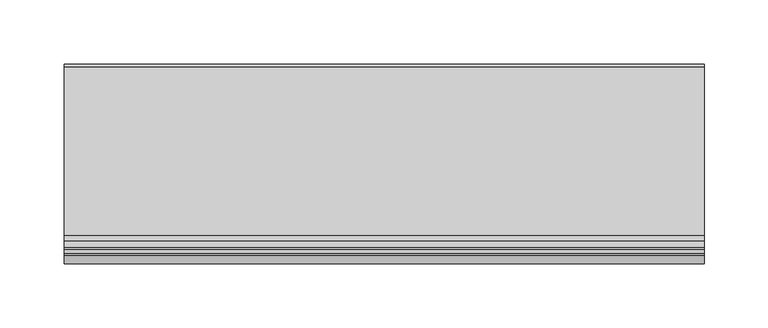
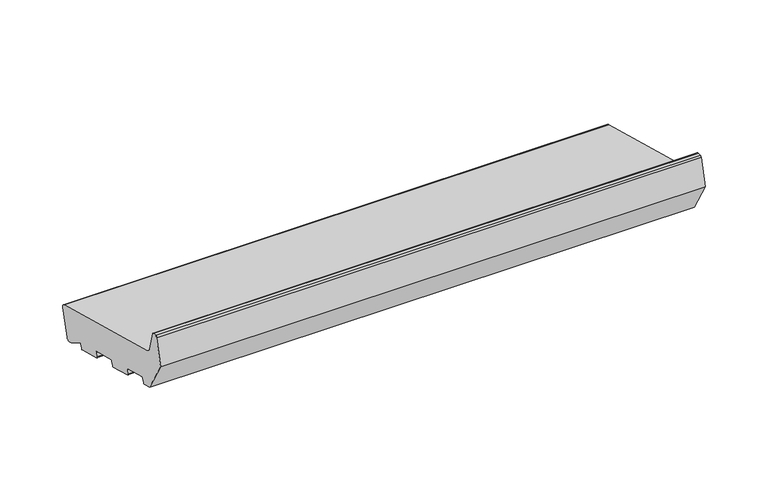
"""IFC4 building model written with IfcOpenShell, lengths in millimetres: proxy geometry."""

from ifc_helpers import new_model, si_unit, point, frame, frame_2d, origin, place, context, project, spatial, polyline, circle_curve, trimmed, segment, composite_curve, outline, extrude, source, transform, mapped, element, save


def generic_models_8d497176(model_context):
    return source(origin(), model_context, "Body", "SweptSolid", [
        extrude(outline(composite_curve([segment(polyline([(24.4386976, 5.4869469), (21.7219201, 6.2149052), (7.5536904, 14.8023515)]), True, "CONTINUOUS"), segment(trimmed(circle_curve(frame_2d((7.0353604, 13.9471708)), 1.0), [point((7.5536904, 14.8023515))], [point((6.0694345, 14.2059898))], True, "CARTESIAN"), True, "CONTINUOUS"), segment(polyline([(6.0694345, 14.2059898), (5.1201811, 10.6633278)]), True, "CONTINUOUS"), segment(trimmed(circle_curve(frame_2d((4.1542553, 10.9221468)), 1.0), [point((5.1201811, 10.6633278))], [point((3.8954362, 9.956221))], False, "CARTESIAN"), True, "CONTINUOUS"), segment(polyline([(3.8954362, 9.956221), (-18.3208578, 15.909059)]), True, "CONTINUOUS"), segment(trimmed(circle_curve(frame_2d((-18.0620387, 16.8749849)), 1.0), [point((-18.3208578, 15.909059))], [point((-19.0279645, 17.1338039))], False, "CARTESIAN"), True, "CONTINUOUS"), segment(polyline([(-19.0279645, 17.1338039), (-17.9926884, 20.9975072)]), True, "CONTINUOUS"), segment(trimmed(circle_curve(frame_2d((-18.9586142, 21.2563263)), 1.0), [point((-17.9926884, 20.9975072))], [point((-18.6997951, 22.2222521))], True, "CARTESIAN"), True, "CONTINUOUS"), segment(polyline([(-18.6997951, 22.2222521), (-41.882015, 28.4339092)]), True, "CONTINUOUS"), segment(trimmed(circle_curve(frame_2d((-42.140834, 27.4679833)), 1.0), [point((-41.882015, 28.4339092))], [point((-43.1067598, 27.7268024))], True, "CARTESIAN"), True, "CONTINUOUS"), segment(polyline([(-43.1067598, 27.7268024), (-44.142036, 23.8630991)]), True, "CONTINUOUS"), segment(trimmed(circle_curve(frame_2d((-45.1079618, 24.1219181)), 1.0), [point((-44.142036, 23.8630991))], [point((-45.3667809, 23.1559923))], False, "CARTESIAN"), True, "CONTINUOUS"), segment(polyline([(-45.3667809, 23.1559923), (-67.5830749, 29.1088303)]), True, "CONTINUOUS"), segment(trimmed(circle_curve(frame_2d((-67.3242559, 30.0747562)), 1.0), [point((-67.5830749, 29.1088303))], [point((-68.2901817, 30.3335752))], False, "CARTESIAN"), True, "CONTINUOUS"), segment(polyline([(-68.2901817, 30.3335752), (-67.2549055, 34.1972785)]), True, "CONTINUOUS"), segment(trimmed(circle_curve(frame_2d((-68.2208313, 34.4560976)), 1.0), [point((-67.2549055, 34.1972785))], [point((-67.9620123, 35.4220234))], True, "CARTESIAN"), True, "CONTINUOUS"), segment(polyline([(-67.9620123, 35.4220234), (-91.1442321, 41.6336805)]), True, "CONTINUOUS"), segment(trimmed(circle_curve(frame_2d((-91.4030512, 40.6677546)), 1.0), [point((-91.1442321, 41.6336805))], [point((-92.368977, 40.9265737))], True, "CARTESIAN"), True, "CONTINUOUS"), segment(polyline([(-92.368977, 40.9265737), (-93.4042532, 37.0628704)]), True, "CONTINUOUS"), segment(trimmed(circle_curve(frame_2d((-94.370179, 37.3216894)), 1.0), [point((-93.4042532, 37.0628704))], [point((-94.628998, 36.3557636))], False, "CARTESIAN"), True, "CONTINUOUS"), segment(polyline([(-94.628998, 36.3557636), (-103.3223305, 38.685135), (-121.0, 69.3037568), (-114.4291321, 93.8265696)]), True, "CONTINUOUS"), segment(trimmed(circle_curve(frame_2d((-112.9802434, 93.4383411)), 1.5), [point((-114.4291321, 93.8265696))], [point((-112.9802434, 94.9383411))], False, "CARTESIAN"), True, "CONTINUOUS"), segment(polyline([(-112.9802434, 94.9383411), (-109.6368689, 94.9383411)]), True, "CONTINUOUS"), segment(trimmed(circle_curve(frame_2d((-109.6368689, 93.4383411)), 1.5), [point((-109.6368689, 94.9383411))], [point((-108.1879801, 93.8265696))], False, "CARTESIAN"), True, "CONTINUOUS"), segment(polyline([(-108.1879801, 93.8265696), (-103.4052841, 75.9773049)]), True, "CONTINUOUS"), segment(trimmed(circle_curve(frame_2d((-97.6097291, 77.5302191)), 6.0), [point((-103.4052841, 75.9773049))], [point((-99.1626434, 71.7346642))], True, "CARTESIAN"), True, "CONTINUOUS"), segment(polyline([(-99.1626434, 71.7346642), (32.7209071, 36.3965733)]), True, "CONTINUOUS"), segment(trimmed(circle_curve(frame_2d((31.94445, 33.4987958)), 3.0), [point((32.7209071, 36.3965733))], [point((34.8422274, 32.7223387))], False, "CARTESIAN"), True, "CONTINUOUS"), segment(polyline([(34.8422274, 32.7223387), (28.1129323, 7.6082672)]), True, "CONTINUOUS"), segment(trimmed(circle_curve(frame_2d((25.2151548, 8.3847244)), 3.0), [point((28.1129323, 7.6082672))], [point((24.4386976, 5.4869469))], False, "CARTESIAN"), True, "CONTINUOUS")], self_intersect=False)), frame((0.0, 0.0, 0.0), z_axis=(1.0, 0.0, 0.0), x_axis=(0.0, 1.0, 0.0)), (0.0, 0.0, 1.0), 500.0),
    ])


if __name__ == "__main__":
    model = new_model("IFC4")
    model_context = context("Model", 3, world=origin())
    ifc_project = project(units=[si_unit("LENGTHUNIT", "METRE", prefix="MILLI")], contexts=[model_context])
    site = spatial("IfcSite", under=ifc_project)
    building = spatial("IfcBuilding", under=site)
    placement = place(None, origin())
    generic_models_shape = generic_models_8d497176(model_context)
    element("IfcBuildingElementProxy", 1, Name="Generic Models", at=placement, inside=building, context=model_context, shape_type="MappedRepresentation", body=[
        mapped(generic_models_shape, transform((0.0, 0.0, 0.0), x_axis=(1.0, 0.0, 0.0), y_axis=(0.0, 1.0, 0.0), z_axis=(0.0, 0.0, 1.0))),
    ])
    save(model, "model.ifc")
